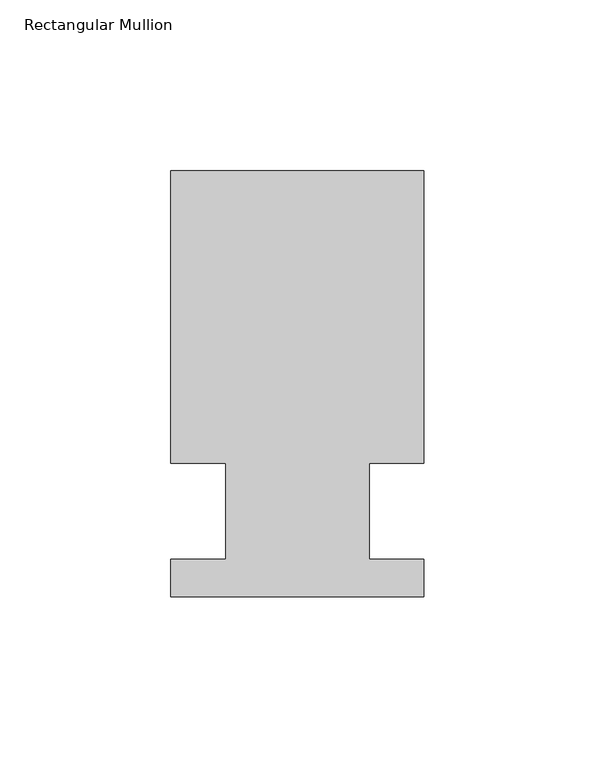
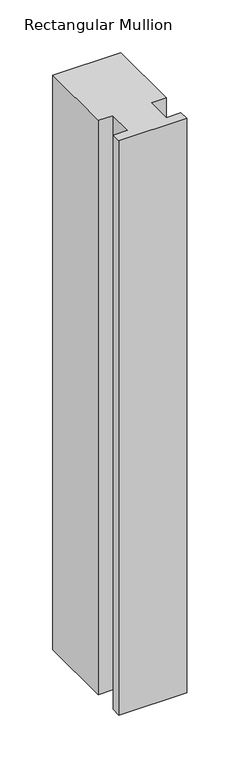
"""IFC4 building model written with IfcOpenShell, lengths in millimetres: member geometry, Rectangular Mullion."""

from ifc_helpers import new_model, si_unit, frame, origin, place, context, project, spatial, polyline, outline, extrude, source, transform, mapped, element, save


def rectangular_mullion_b8a34389(model_context):
    return source(origin(), model_context, "Body", "SweptSolid", [
        extrude(outline(polyline([(-20.9800745, 13.9998907), (-37.0, 13.9998907), (-37.0, 99.5), (37.0, 99.5), (37.0, 13.9998907), (20.9800745, 13.9998907), (20.9800745, -14.0), (36.9800745, -14.0), (36.9800745, -25.0), (-37.0, -25.0), (-37.0, -14.0), (-20.9800745, -14.0), (-20.9800745, 13.9998907)])), frame((0.0, 0.0, -661.5615776), z_axis=(0.0, 0.0, 1.0), x_axis=(1.0, 0.0, 0.0)), (0.0, 0.0, 1.0), 661.5615776),
    ])


if __name__ == "__main__":
    model = new_model("IFC4")
    model_context = context("Model", 3, world=origin())
    ifc_project = project(units=[si_unit("LENGTHUNIT", "METRE", prefix="MILLI")], contexts=[model_context])
    site = spatial("IfcSite", under=ifc_project)
    building = spatial("IfcBuilding", under=site)
    placement = place(None, origin())
    rectangular_mullion_shape = rectangular_mullion_b8a34389(model_context)
    element("IfcMember", 1, ObjectType="Rectangular Mullion", at=placement, inside=building, context=model_context, shape_type="MappedRepresentation", body=[
        mapped(rectangular_mullion_shape, transform((0.0, 0.0, 0.0), x_axis=(1.0, 0.0, 0.0), y_axis=(0.0, 1.0, 0.0), z_axis=(0.0, 0.0, 1.0))),
    ])
    save(model, "model.ifc")
